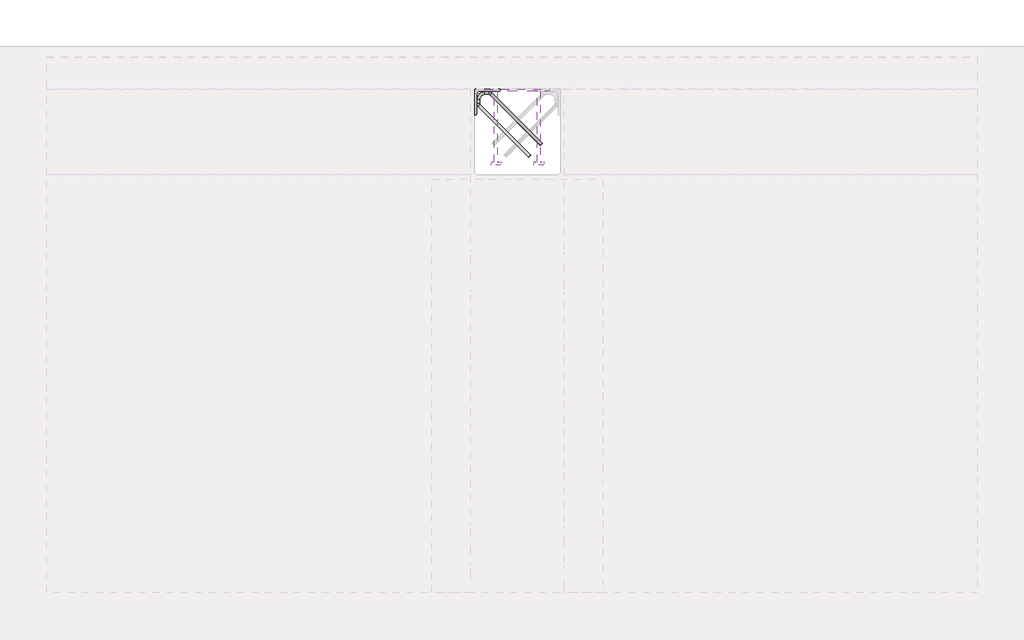
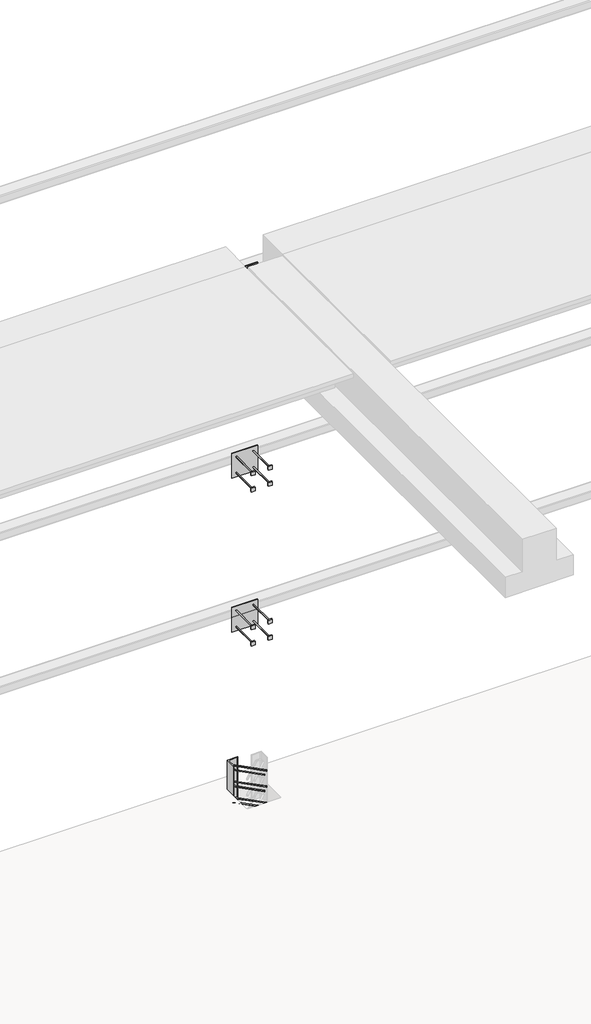
# One storey, part 43 of 65: 4 fasteners.
"""IFC4 building model written with IfcOpenShell, lengths in millimetres."""

from ifc_helpers import new_model, si_unit, point, frame, frame_2d, origin, place, context, project, spatial, polyline, circle_curve, ellipse_curve, trimmed, segment, composite_curve, outline, extrude, element, save
from ifc_brep_helpers import plane_surface, cylinder_surface, revolved_surface, advanced_brep

model = new_model("IFC4")

# Units and contexts
model_context = context("Model", 3, world=origin())
ifc_project = project(units=[si_unit("LENGTHUNIT", "METRE", prefix="MILLI")], contexts=[model_context])

# Site, building, storey
site = spatial("IfcSite", under=ifc_project)
building = spatial("IfcBuilding", under=site)
storey = spatial("IfcBuildingStorey", under=building, Elevation=0.0)

# Fasteners
placement = place(None, origin())
element("IfcFastener", 1, at=placement, inside=storey, context=model_context, shape_type="SolidModel", body=[
    advanced_brep(
    [(55052.5376259, 38682.5628791, 280.0), (55062.4371209, 38692.4623741, 280.0), (55117.4371209, 38747.4623741, 280.0), (55107.5376259, 38737.5628791, 280.0), (54847.0, 38976.0, 280.0), (54847.0, 38990.0, 280.0), (54865.7867966, 38990.0, 280.0), (54865.7867966, 38976.0, 280.0), (54824.0, 38953.0, 280.0), (54810.0, 38953.0, 280.0), (54824.0, 38934.2132034, 280.0), (54810.0, 38934.2132034, 280.0), (54816.4436508, 38918.6568542, 280.0), (54826.3431458, 38928.5563492, 280.0), (54871.4436508, 38973.6568542, 280.0), (54881.3431458, 38983.5563492, 280.0)],
    [
        (0, 1, circle_curve(frame((55057.4873734, 38687.5126266, 280.0), z_axis=(0.7071067811865482, -0.707106781186547, 0.0), x_axis=(0.707106781186547, 0.7071067811865482, 0.0)), 7.0)),
        (1, 0, circle_curve(frame((55057.4873734, 38687.5126266, 280.0), z_axis=(0.7071067811865482, -0.707106781186547, 0.0), x_axis=(0.707106781186547, 0.7071067811865482, 0.0)), 7.0)),
        (2, 3, circle_curve(frame((55112.4873734, 38742.5126266, 280.0), z_axis=(0.707106781186548, -0.707106781186547, 0.0), x_axis=(-0.707106781186547, -0.707106781186548, 0.0)), 7.0)),
        (3, 2, circle_curve(frame((55112.4873734, 38742.5126266, 280.0), z_axis=(0.707106781186548, -0.707106781186547, 0.0), x_axis=(-0.707106781186547, -0.707106781186548, 0.0)), 7.0)),
        (4, 5, circle_curve(frame((54847.0, 38983.0, 280.0), z_axis=(1.0, 0.0, 0.0), x_axis=(0.0, -1.0, 0.0)), 7.0)),
        (5, 6),
        (6, 7, circle_curve(frame((54865.7867966, 38983.0, 280.0), z_axis=(-1.0, 0.0, 0.0), x_axis=(0.0, -1.0, 0.0)), 7.0)),
        (7, 4),
        (5, 4, circle_curve(frame((54847.0, 38983.0, 280.0), z_axis=(1.0, 0.0, 0.0), x_axis=(0.0, -1.0, 0.0)), 7.0)),
        (7, 6, circle_curve(frame((54865.7867966, 38983.0, 280.0), z_axis=(-1.0, 0.0, 0.0), x_axis=(0.0, -1.0, 0.0)), 7.0)),
        (4, 8, circle_curve(frame((54847.0, 38953.0, 280.0), z_axis=(0.0, 0.0, 1.0), x_axis=(-1.0, 0.0, 0.0)), 23.0)),
        (8, 9, circle_curve(frame((54817.0, 38953.0, 280.0), z_axis=(0.0, 1.0, 0.0), x_axis=(1.0, 0.0, 0.0)), 7.0)),
        (9, 5, circle_curve(frame((54847.0, 38953.0, 280.0), z_axis=(0.0, 0.0, -1.0), x_axis=(-1.0, 0.0, 0.0)), 37.0)),
        (9, 8, circle_curve(frame((54817.0, 38953.0, 280.0), z_axis=(0.0, 1.0, 0.0), x_axis=(1.0, 0.0, 0.0)), 7.0)),
        (10, 11, circle_curve(frame((54817.0, 38934.2132034, 280.0), z_axis=(0.0, 1.0, 0.0), x_axis=(1.0, 0.0, 0.0)), 7.0)),
        (11, 9),
        (8, 10),
        (11, 10, circle_curve(frame((54817.0, 38934.2132034, 280.0), z_axis=(0.0, 1.0, 0.0), x_axis=(1.0, 0.0, 0.0)), 7.0)),
        (0, 12),
        (12, 13, circle_curve(frame((54821.3933983, 38923.6066017, 280.0), z_axis=(0.7071067811865482, -0.707106781186547, 0.0), x_axis=(0.707106781186547, 0.7071067811865482, 0.0)), 7.0)),
        (13, 1),
        (13, 12, circle_curve(frame((54821.3933983, 38923.6066017, 280.0), z_axis=(0.7071067811865482, -0.707106781186547, 0.0), x_axis=(0.707106781186547, 0.7071067811865482, 0.0)), 7.0)),
        (10, 13, circle_curve(frame((54832.0, 38934.2132034, 280.0), z_axis=(0.0, 0.0, 1.0), x_axis=(-0.7071067811865468, -0.7071067811865482, 0.0)), 8.0)),
        (12, 11, circle_curve(frame((54832.0, 38934.2132034, 280.0), z_axis=(0.0, 0.0, -1.0), x_axis=(-0.7071067811865468, -0.7071067811865482, 0.0)), 22.0)),
        (14, 7, circle_curve(frame((54865.7867966, 38968.0, 280.0), z_axis=(0.0, 0.0, 1.0), x_axis=(0.0, 1.0, 0.0)), 8.0)),
        (6, 15, circle_curve(frame((54865.7867966, 38968.0, 280.0), z_axis=(0.0, 0.0, -1.0), x_axis=(0.0, 1.0, 0.0)), 22.0)),
        (15, 14, circle_curve(frame((54876.3933983, 38978.6066017, 280.0), z_axis=(-0.7071067811865479, 0.7071067811865471, 0.0), x_axis=(-0.7071067811865471, -0.7071067811865479, 0.0)), 7.0)),
        (14, 15, circle_curve(frame((54876.3933983, 38978.6066017, 280.0), z_axis=(-0.7071067811865476, 0.7071067811865475, 0.0), x_axis=(-0.7071067811865475, -0.7071067811865476, 0.0)), 7.0)),
        (15, 2),
        (3, 14),
    ],
    [
        plane_surface(frame((55057.4873734, 38687.5126266, 280.0), z_axis=(0.7071067811865482, -0.707106781186547, 0.0), x_axis=(0.0, 0.0, -1.0))),
        plane_surface(frame((55112.4873734, 38742.5126266, 280.0), z_axis=(0.707106781186548, -0.707106781186547, 0.0), x_axis=(0.0, 0.0, -1.0))),
        cylinder_surface(frame((54847.0, 38983.0, 280.0), z_axis=(-1.0, 0.0, 0.0), x_axis=(0.0, -1.0, 0.0)), 7.0),
        revolved_surface(trimmed(ellipse_curve(frame((54817.0, 38953.0, 280.0), z_axis=(0.0, -1.0, 0.0), x_axis=(1.0, 0.0, 0.0)), 7.0, 7.0), [point((54810.0, 38953.0, 280.0))], [point((54824.0, 38953.0, 280.0))], True, "CARTESIAN"), (54847.0, 38953.0, 280.0), (0.0, 0.0, -1.0)),
        revolved_surface(trimmed(ellipse_curve(frame((54817.0, 38953.0, 280.0), z_axis=(0.0, -1.0, 0.0), x_axis=(1.0, 0.0, 0.0)), 7.0, 7.0), [point((54824.0, 38953.0, 280.0))], [point((54810.0, 38953.0, 280.0))], True, "CARTESIAN"), (54847.0, 38953.0, 280.0), (0.0, 0.0, -1.0)),
        cylinder_surface(frame((54817.0, 38934.2132034, 280.0), z_axis=(0.0, -1.0, 0.0), x_axis=(1.0, 0.0, 0.0)), 7.0),
        cylinder_surface(frame((55057.4873734, 38687.5126266, 280.0), z_axis=(0.7071067811865482, -0.707106781186547, 0.0), x_axis=(0.707106781186547, 0.7071067811865482, 0.0)), 7.0),
        revolved_surface(trimmed(ellipse_curve(frame((54821.3933983, 38923.6066017, 280.0), z_axis=(0.7071067811865482, -0.7071067811865468, 0.0), x_axis=(0.7071067811865468, 0.7071067811865482, 0.0)), 7.0, 7.0), [point((54816.4436508, 38918.6568542, 280.0))], [point((54826.3431458, 38928.5563492, 280.0))], True, "CARTESIAN"), (54832.0, 38934.2132034, 280.0), (0.0, 0.0, -1.0)),
        revolved_surface(trimmed(ellipse_curve(frame((54821.3933983, 38923.6066017, 280.0), z_axis=(0.7071067811865482, -0.7071067811865468, 0.0), x_axis=(0.7071067811865468, 0.7071067811865482, 0.0)), 7.0, 7.0), [point((54826.3431458, 38928.5563492, 280.0))], [point((54816.4436508, 38918.6568542, 280.0))], True, "CARTESIAN"), (54832.0, 38934.2132034, 280.0), (0.0, 0.0, -1.0)),
        revolved_surface(trimmed(ellipse_curve(frame((54865.7867966, 38983.0, 280.0), z_axis=(-1.0, 0.0, 0.0), x_axis=(0.0, -1.0, 0.0)), 7.0, 7.0), [point((54865.7867966, 38990.0, 280.0))], [point((54865.7867966, 38976.0, 280.0))], True, "CARTESIAN"), (54865.7867966, 38968.0, 280.0), (0.0, 0.0, -1.0)),
        revolved_surface(trimmed(ellipse_curve(frame((54865.7867966, 38983.0, 280.0), z_axis=(-1.0, 0.0, 0.0), x_axis=(0.0, -1.0, 0.0)), 7.0, 7.0), [point((54865.7867966, 38976.0, 280.0))], [point((54865.7867966, 38990.0, 280.0))], True, "CARTESIAN"), (54865.7867966, 38968.0, 280.0), (0.0, 0.0, -1.0)),
        cylinder_surface(frame((54876.3933983, 38978.6066017, 280.0), z_axis=(-0.707106781186548, 0.707106781186547, 0.0), x_axis=(-0.707106781186547, -0.707106781186548, 0.0)), 7.0),
    ],
    [
        (0, [[1, 2]]),
        (1, [[3, 4]]),
        (2, [[5, 6, 7, 8]]),
        (2, [[9, -8, 10, -6]]),
        (3, [[11, 12, 13, -5]]),
        (4, [[-13, 14, -11, -9]]),
        (5, [[15, 16, -12, 17]]),
        (5, [[18, -17, -14, -16]]),
        (6, [[-1, 19, 20, 21]]),
        (6, [[-2, -21, 22, -19]]),
        (7, [[23, -20, 24, -15]]),
        (8, [[-24, -22, -23, -18]]),
        (9, [[25, -7, 26, 27]]),
        (10, [[-26, -10, -25, 28]]),
        (11, [[-27, 29, -4, 30]]),
        (11, [[-28, -30, -3, -29]]),
    ],
),
    advanced_brep(
    [(55062.4371209, 38692.4623741, -120.0), (55052.5376259, 38682.5628791, -120.0), (55107.5376259, 38737.5628791, -120.0), (55117.4371209, 38747.4623741, -120.0), (54847.0, 38990.0, -120.0), (54847.0, 38976.0, -120.0), (54865.7867966, 38976.0, -120.0), (54865.7867966, 38990.0, -120.0), (54810.0, 38953.0, -120.0), (54824.0, 38953.0, -120.0), (54810.0, 38934.2132034, -120.0), (54824.0, 38934.2132034, -120.0), (54826.3431458, 38928.5563492, -120.0), (54816.4436508, 38918.6568542, -120.0), (54881.3431458, 38983.5563492, -120.0), (54871.4436508, 38973.6568542, -120.0)],
    [
        (0, 1, circle_curve(frame((55057.4873734, 38687.5126266, -120.0), z_axis=(0.7071067811865482, -0.707106781186547, 0.0), x_axis=(-0.707106781186547, -0.7071067811865482, 0.0)), 7.0)),
        (1, 0, circle_curve(frame((55057.4873734, 38687.5126266, -120.0), z_axis=(0.7071067811865482, -0.707106781186547, 0.0), x_axis=(-0.707106781186547, -0.7071067811865482, 0.0)), 7.0)),
        (2, 3, circle_curve(frame((55112.4873734, 38742.5126266, -120.0), z_axis=(0.7071067811865481, -0.707106781186547, 0.0), x_axis=(0.707106781186547, 0.7071067811865481, 0.0)), 7.0)),
        (3, 2, circle_curve(frame((55112.4873734, 38742.5126266, -120.0), z_axis=(0.7071067811865481, -0.707106781186547, 0.0), x_axis=(0.707106781186547, 0.7071067811865481, 0.0)), 7.0)),
        (4, 5, circle_curve(frame((54847.0, 38983.0, -120.0), z_axis=(1.0, 0.0, 0.0), x_axis=(0.0, 1.0, 0.0)), 7.0)),
        (5, 6),
        (6, 7, circle_curve(frame((54865.7867966, 38983.0, -120.0), z_axis=(-1.0, 0.0, 0.0), x_axis=(0.0, 1.0, 0.0)), 7.0)),
        (7, 4),
        (5, 4, circle_curve(frame((54847.0, 38983.0, -120.0), z_axis=(1.0, 0.0, 0.0), x_axis=(0.0, 1.0, 0.0)), 7.0)),
        (7, 6, circle_curve(frame((54865.7867966, 38983.0, -120.0), z_axis=(-1.0, 0.0, 0.0), x_axis=(0.0, 1.0, 0.0)), 7.0)),
        (4, 8, circle_curve(frame((54847.0, 38953.0, -120.0), z_axis=(0.0, 0.0, 1.0), x_axis=(-1.0, 0.0, 0.0)), 37.0)),
        (8, 9, circle_curve(frame((54817.0, 38953.0, -120.0), z_axis=(0.0, 1.0, 0.0), x_axis=(-1.0, 0.0, 0.0)), 7.0)),
        (9, 5, circle_curve(frame((54847.0, 38953.0, -120.0), z_axis=(0.0, 0.0, -1.0), x_axis=(-1.0, 0.0, 0.0)), 23.0)),
        (9, 8, circle_curve(frame((54817.0, 38953.0, -120.0), z_axis=(0.0, 1.0, 0.0), x_axis=(-1.0, 0.0, 0.0)), 7.0)),
        (10, 11, circle_curve(frame((54817.0, 38934.2132034, -120.0), z_axis=(0.0, 1.0, 0.0), x_axis=(-1.0, 0.0, 0.0)), 7.0)),
        (11, 9),
        (8, 10),
        (11, 10, circle_curve(frame((54817.0, 38934.2132034, -120.0), z_axis=(0.0, 1.0, 0.0), x_axis=(-1.0, 0.0, 0.0)), 7.0)),
        (0, 12),
        (12, 13, circle_curve(frame((54821.3933983, 38923.6066017, -120.0), z_axis=(0.7071067811865482, -0.707106781186547, 0.0), x_axis=(-0.707106781186547, -0.7071067811865482, 0.0)), 7.0)),
        (13, 1),
        (13, 12, circle_curve(frame((54821.3933983, 38923.6066017, -120.0), z_axis=(0.7071067811865482, -0.707106781186547, 0.0), x_axis=(-0.707106781186547, -0.7071067811865482, 0.0)), 7.0)),
        (10, 13, circle_curve(frame((54832.0, 38934.2132034, -120.0), z_axis=(0.0, 0.0, 1.0), x_axis=(-0.7071067811865468, -0.7071067811865482, 0.0)), 22.0)),
        (12, 11, circle_curve(frame((54832.0, 38934.2132034, -120.0), z_axis=(0.0, 0.0, -1.0), x_axis=(-0.7071067811865468, -0.7071067811865482, 0.0)), 8.0)),
        (14, 7, circle_curve(frame((54865.7867966, 38968.0, -120.0), z_axis=(0.0, 0.0, 1.0), x_axis=(0.0, 1.0, 0.0)), 22.0)),
        (6, 15, circle_curve(frame((54865.7867966, 38968.0, -120.0), z_axis=(0.0, 0.0, -1.0), x_axis=(0.0, 1.0, 0.0)), 8.0)),
        (15, 14, circle_curve(frame((54876.3933983, 38978.6066017, -120.0), z_axis=(-0.7071067811865464, 0.7071067811865487, 0.0), x_axis=(0.7071067811865487, 0.7071067811865464, 0.0)), 7.0)),
        (14, 15, circle_curve(frame((54876.3933983, 38978.6066017, -120.0), z_axis=(-0.7071067811865474, 0.7071067811865477, 0.0), x_axis=(0.7071067811865477, 0.7071067811865474, 0.0)), 7.0)),
        (15, 2),
        (3, 14),
    ],
    [
        plane_surface(frame((55057.4873734, 38687.5126266, -120.0), z_axis=(0.7071067811865482, -0.707106781186547, 0.0), x_axis=(0.0, 0.0, 1.0))),
        plane_surface(frame((55112.4873734, 38742.5126266, -120.0), z_axis=(0.7071067811865481, -0.707106781186547, 0.0), x_axis=(0.0, 0.0, 1.0))),
        cylinder_surface(frame((54847.0, 38983.0, -120.0), z_axis=(-1.0, 0.0, 0.0), x_axis=(0.0, 1.0, 0.0)), 7.0),
        revolved_surface(trimmed(ellipse_curve(frame((54817.0, 38953.0, -120.0), z_axis=(0.0, -1.0, 0.0), x_axis=(-1.0, 0.0, 0.0)), 7.0, 7.0), [point((54824.0, 38953.0, -120.0))], [point((54810.0, 38953.0, -120.0))], True, "CARTESIAN"), (54847.0, 38953.0, -120.0), (0.0, 0.0, -1.0)),
        revolved_surface(trimmed(ellipse_curve(frame((54817.0, 38953.0, -120.0), z_axis=(0.0, -1.0, 0.0), x_axis=(-1.0, 0.0, 0.0)), 7.0, 7.0), [point((54810.0, 38953.0, -120.0))], [point((54824.0, 38953.0, -120.0))], True, "CARTESIAN"), (54847.0, 38953.0, -120.0), (0.0, 0.0, -1.0)),
        cylinder_surface(frame((54817.0, 38934.2132034, -120.0), z_axis=(0.0, -1.0, 0.0), x_axis=(-1.0, 0.0, 0.0)), 7.0),
        cylinder_surface(frame((55057.4873734, 38687.5126266, -120.0), z_axis=(0.7071067811865482, -0.707106781186547, 0.0), x_axis=(-0.707106781186547, -0.7071067811865482, 0.0)), 7.0),
        revolved_surface(trimmed(ellipse_curve(frame((54821.3933983, 38923.6066017, -120.0), z_axis=(0.7071067811865482, -0.7071067811865468, 0.0), x_axis=(-0.7071067811865468, -0.7071067811865482, 0.0)), 7.0, 7.0), [point((54826.3431458, 38928.5563492, -120.0))], [point((54816.4436508, 38918.6568542, -120.0))], True, "CARTESIAN"), (54832.0, 38934.2132034, -120.0), (0.0, 0.0, -1.0)),
        revolved_surface(trimmed(ellipse_curve(frame((54821.3933983, 38923.6066017, -120.0), z_axis=(0.7071067811865482, -0.7071067811865468, 0.0), x_axis=(-0.7071067811865468, -0.7071067811865482, 0.0)), 7.0, 7.0), [point((54816.4436508, 38918.6568542, -120.0))], [point((54826.3431458, 38928.5563492, -120.0))], True, "CARTESIAN"), (54832.0, 38934.2132034, -120.0), (0.0, 0.0, -1.0)),
        revolved_surface(trimmed(ellipse_curve(frame((54865.7867966, 38983.0, -120.0), z_axis=(-1.0, 0.0, 0.0), x_axis=(0.0, 1.0, 0.0)), 7.0, 7.0), [point((54865.7867966, 38976.0, -120.0))], [point((54865.7867966, 38990.0, -120.0))], True, "CARTESIAN"), (54865.7867966, 38968.0, -120.0), (0.0, 0.0, -1.0)),
        revolved_surface(trimmed(ellipse_curve(frame((54865.7867966, 38983.0, -120.0), z_axis=(-1.0, 0.0, 0.0), x_axis=(0.0, 1.0, 0.0)), 7.0, 7.0), [point((54865.7867966, 38990.0, -120.0))], [point((54865.7867966, 38976.0, -120.0))], True, "CARTESIAN"), (54865.7867966, 38968.0, -120.0), (0.0, 0.0, -1.0)),
        cylinder_surface(frame((54876.3933983, 38978.6066017, -120.0), z_axis=(-0.7071067811865481, 0.707106781186547, 0.0), x_axis=(0.707106781186547, 0.7071067811865481, 0.0)), 7.0),
    ],
    [
        (0, [[1, 2]]),
        (1, [[3, 4]]),
        (2, [[5, 6, 7, 8]]),
        (2, [[9, -8, 10, -6]]),
        (3, [[11, 12, 13, -5]]),
        (4, [[-13, 14, -11, -9]]),
        (5, [[15, 16, -12, 17]]),
        (5, [[18, -17, -14, -16]]),
        (6, [[-1, 19, 20, 21]]),
        (6, [[-2, -21, 22, -19]]),
        (7, [[23, -20, 24, -15]]),
        (8, [[-24, -22, -23, -18]]),
        (9, [[25, -7, 26, 27]]),
        (10, [[-26, -10, -25, 28]]),
        (11, [[-27, 29, -4, 30]]),
        (11, [[-28, -30, -3, -29]]),
    ],
),
    advanced_brep(
    [(55062.4371209, 38692.4623741, 80.0), (55052.5376259, 38682.5628791, 80.0), (55107.5376259, 38737.5628791, 80.0), (55117.4371209, 38747.4623741, 80.0), (54847.0, 38990.0, 80.0), (54847.0, 38976.0, 80.0), (54865.7867966, 38976.0, 80.0), (54865.7867966, 38990.0, 80.0), (54810.0, 38953.0, 80.0), (54824.0, 38953.0, 80.0), (54810.0, 38934.2132034, 80.0), (54824.0, 38934.2132034, 80.0), (54826.3431458, 38928.5563492, 80.0), (54816.4436508, 38918.6568542, 80.0), (54881.3431458, 38983.5563492, 80.0), (54871.4436508, 38973.6568542, 80.0)],
    [
        (0, 1, circle_curve(frame((55057.4873734, 38687.5126266, 80.0), z_axis=(0.7071067811865481, -0.7071067811865469, 0.0), x_axis=(-0.7071067811865469, -0.7071067811865481, 0.0)), 7.0)),
        (1, 0, circle_curve(frame((55057.4873734, 38687.5126266, 80.0), z_axis=(0.7071067811865481, -0.7071067811865469, 0.0), x_axis=(-0.7071067811865469, -0.7071067811865481, 0.0)), 7.0)),
        (2, 3, circle_curve(frame((55112.4873734, 38742.5126266, 80.0), z_axis=(0.7071067811865481, -0.707106781186547, 0.0), x_axis=(0.707106781186547, 0.7071067811865481, 0.0)), 7.0)),
        (3, 2, circle_curve(frame((55112.4873734, 38742.5126266, 80.0), z_axis=(0.7071067811865481, -0.707106781186547, 0.0), x_axis=(0.707106781186547, 0.7071067811865481, 0.0)), 7.0)),
        (4, 5, circle_curve(frame((54847.0, 38983.0, 80.0), z_axis=(1.0, 0.0, 0.0), x_axis=(0.0, 1.0, 0.0)), 7.0)),
        (5, 6),
        (6, 7, circle_curve(frame((54865.7867966, 38983.0, 80.0), z_axis=(-1.0, 0.0, 0.0), x_axis=(0.0, 1.0, 0.0)), 7.0)),
        (7, 4),
        (5, 4, circle_curve(frame((54847.0, 38983.0, 80.0), z_axis=(1.0, 0.0, 0.0), x_axis=(0.0, 1.0, 0.0)), 7.0)),
        (7, 6, circle_curve(frame((54865.7867966, 38983.0, 80.0), z_axis=(-1.0, 0.0, 0.0), x_axis=(0.0, 1.0, 0.0)), 7.0)),
        (4, 8, circle_curve(frame((54847.0, 38953.0, 80.0), z_axis=(0.0, 0.0, 1.0), x_axis=(-1.0, 0.0, 0.0)), 37.0)),
        (8, 9, circle_curve(frame((54817.0, 38953.0, 80.0), z_axis=(0.0, 1.0, 0.0), x_axis=(-1.0, 0.0, 0.0)), 7.0)),
        (9, 5, circle_curve(frame((54847.0, 38953.0, 80.0), z_axis=(0.0, 0.0, -1.0), x_axis=(-1.0, 0.0, 0.0)), 23.0)),
        (9, 8, circle_curve(frame((54817.0, 38953.0, 80.0), z_axis=(0.0, 1.0, 0.0), x_axis=(-1.0, 0.0, 0.0)), 7.0)),
        (10, 11, circle_curve(frame((54817.0, 38934.2132034, 80.0), z_axis=(0.0, 1.0, 0.0), x_axis=(-1.0, 0.0, 0.0)), 7.0)),
        (11, 9),
        (8, 10),
        (11, 10, circle_curve(frame((54817.0, 38934.2132034, 80.0), z_axis=(0.0, 1.0, 0.0), x_axis=(-1.0, 0.0, 0.0)), 7.0)),
        (0, 12),
        (12, 13, circle_curve(frame((54821.3933983, 38923.6066017, 80.0), z_axis=(0.7071067811865481, -0.7071067811865469, 0.0), x_axis=(-0.7071067811865469, -0.7071067811865481, 0.0)), 7.0)),
        (13, 1),
        (13, 12, circle_curve(frame((54821.3933983, 38923.6066017, 80.0), z_axis=(0.7071067811865481, -0.7071067811865469, 0.0), x_axis=(-0.7071067811865469, -0.7071067811865481, 0.0)), 7.0)),
        (10, 13, circle_curve(frame((54832.0, 38934.2132034, 80.0), z_axis=(0.0, 0.0, 1.0), x_axis=(-0.7071067811865468, -0.7071067811865482, 0.0)), 22.0)),
        (12, 11, circle_curve(frame((54832.0, 38934.2132034, 80.0), z_axis=(0.0, 0.0, -1.0), x_axis=(-0.7071067811865468, -0.7071067811865482, 0.0)), 8.0)),
        (14, 7, circle_curve(frame((54865.7867966, 38968.0, 80.0), z_axis=(0.0, 0.0, 1.0), x_axis=(0.0, 1.0, 0.0)), 22.0)),
        (6, 15, circle_curve(frame((54865.7867966, 38968.0, 80.0), z_axis=(0.0, 0.0, -1.0), x_axis=(0.0, 1.0, 0.0)), 8.0)),
        (15, 14, circle_curve(frame((54876.3933983, 38978.6066017, 80.0), z_axis=(-0.707106781186548, 0.707106781186547, 0.0), x_axis=(0.707106781186547, 0.707106781186548, 0.0)), 7.0)),
        (14, 15, circle_curve(frame((54876.3933983, 38978.6066017, 80.0), z_axis=(-0.7071067811865479, 0.7071067811865471, 0.0), x_axis=(0.7071067811865471, 0.7071067811865479, 0.0)), 7.0)),
        (15, 2),
        (3, 14),
    ],
    [
        plane_surface(frame((55057.4873734, 38687.5126266, 80.0), z_axis=(0.7071067811865481, -0.7071067811865469, 0.0), x_axis=(0.0, 0.0, 1.0))),
        plane_surface(frame((55112.4873734, 38742.5126266, 80.0), z_axis=(0.707106781186548, -0.7071067811865471, 0.0), x_axis=(0.0, 0.0, 1.0))),
        cylinder_surface(frame((54847.0, 38983.0, 80.0), z_axis=(-1.0, 0.0, 0.0), x_axis=(0.0, 1.0, 0.0)), 7.0),
        revolved_surface(trimmed(ellipse_curve(frame((54817.0, 38953.0, 80.0), z_axis=(0.0, -1.0, 0.0), x_axis=(-1.0, 0.0, 0.0)), 7.0, 7.0), [point((54824.0, 38953.0, 80.0))], [point((54810.0, 38953.0, 80.0))], True, "CARTESIAN"), (54847.0, 38953.0, 80.0), (0.0, 0.0, -1.0)),
        revolved_surface(trimmed(ellipse_curve(frame((54817.0, 38953.0, 80.0), z_axis=(0.0, -1.0, 0.0), x_axis=(-1.0, 0.0, 0.0)), 7.0, 7.0), [point((54810.0, 38953.0, 80.0))], [point((54824.0, 38953.0, 80.0))], True, "CARTESIAN"), (54847.0, 38953.0, 80.0), (0.0, 0.0, -1.0)),
        cylinder_surface(frame((54817.0, 38934.2132034, 80.0), z_axis=(0.0, -1.0, 0.0), x_axis=(-1.0, 0.0, 0.0)), 7.0),
        cylinder_surface(frame((55057.4873734, 38687.5126266, 80.0), z_axis=(0.7071067811865481, -0.7071067811865469, 0.0), x_axis=(-0.7071067811865469, -0.7071067811865481, 0.0)), 7.0),
        revolved_surface(trimmed(ellipse_curve(frame((54821.3933983, 38923.6066017, 80.0), z_axis=(0.7071067811865483, -0.7071067811865467, 0.0), x_axis=(-0.7071067811865467, -0.7071067811865483, 0.0)), 7.0, 7.0), [point((54826.3431458, 38928.5563492, 80.0))], [point((54816.4436508, 38918.6568542, 80.0))], True, "CARTESIAN"), (54832.0, 38934.2132034, 80.0), (0.0, 0.0, -1.0)),
        revolved_surface(trimmed(ellipse_curve(frame((54821.3933983, 38923.6066017, 80.0), z_axis=(0.7071067811865483, -0.7071067811865467, 0.0), x_axis=(-0.7071067811865467, -0.7071067811865483, 0.0)), 7.0, 7.0), [point((54816.4436508, 38918.6568542, 80.0))], [point((54826.3431458, 38928.5563492, 80.0))], True, "CARTESIAN"), (54832.0, 38934.2132034, 80.0), (0.0, 0.0, -1.0)),
        revolved_surface(trimmed(ellipse_curve(frame((54865.7867966, 38983.0, 80.0), z_axis=(-1.0, 0.0, 0.0), x_axis=(0.0, 1.0, 0.0)), 7.0, 7.0), [point((54865.7867966, 38976.0, 80.0))], [point((54865.7867966, 38990.0, 80.0))], True, "CARTESIAN"), (54865.7867966, 38968.0, 80.0), (0.0, 0.0, -1.0)),
        revolved_surface(trimmed(ellipse_curve(frame((54865.7867966, 38983.0, 80.0), z_axis=(-1.0, 0.0, 0.0), x_axis=(0.0, 1.0, 0.0)), 7.0, 7.0), [point((54865.7867966, 38990.0, 80.0))], [point((54865.7867966, 38976.0, 80.0))], True, "CARTESIAN"), (54865.7867966, 38968.0, 80.0), (0.0, 0.0, -1.0)),
        cylinder_surface(frame((54876.3933983, 38978.6066017, 80.0), z_axis=(-0.7071067811865481, 0.707106781186547, 0.0), x_axis=(0.707106781186547, 0.7071067811865481, 0.0)), 7.0),
    ],
    [
        (0, [[1, 2]]),
        (1, [[3, 4]]),
        (2, [[5, 6, 7, 8]]),
        (2, [[9, -8, 10, -6]]),
        (3, [[11, 12, 13, -5]]),
        (4, [[-13, 14, -11, -9]]),
        (5, [[15, 16, -12, 17]]),
        (5, [[18, -17, -14, -16]]),
        (6, [[-1, 19, 20, 21]]),
        (6, [[-2, -21, 22, -19]]),
        (7, [[23, -20, 24, -15]]),
        (8, [[-24, -22, -23, -18]]),
        (9, [[25, -7, 26, 27]]),
        (10, [[-26, -10, -25, 28]]),
        (11, [[-27, 29, -4, 30]]),
        (11, [[-28, -30, -3, -29]]),
    ],
),
    extrude(outline(composite_curve([segment(polyline([(54800.0, 39000.0), (54920.0, 39000.0), (54920.0, 38996.5)]), True, "CONTINUOUS"), segment(trimmed(circle_curve(frame_2d((54913.5, 38996.5)), 6.5), [point((54920.0, 38996.5))], [point((54913.5, 38990.0))], False, "CARTESIAN"), True, "CONTINUOUS"), segment(polyline([(54913.5, 38990.0), (54823.0, 38990.0)]), True, "CONTINUOUS"), segment(trimmed(circle_curve(frame_2d((54823.0, 38977.0)), 13.0), [point((54823.0, 38990.0))], [point((54810.0, 38977.0))], True, "CARTESIAN"), True, "CONTINUOUS"), segment(polyline([(54810.0, 38977.0), (54810.0, 38886.5)]), True, "CONTINUOUS"), segment(trimmed(circle_curve(frame_2d((54803.5, 38886.5)), 6.5), [point((54810.0, 38886.5))], [point((54803.5, 38880.0))], False, "CARTESIAN"), True, "CONTINUOUS"), segment(polyline([(54803.5, 38880.0), (54800.0, 38880.0), (54800.0, 39000.0)]), True, "CONTINUOUS")], self_intersect=False)), frame((0.0, 0.0, -200.0), z_axis=(0.0, 0.0, 1.0), x_axis=(1.0, 0.0, 0.0)), (0.0, 0.0, 1.0), 560.0),
])
element("IfcFastener", 2, ObjectType="ZC : ZC 1", at=placement, inside=storey, context=model_context, shape_type="SweptSolid", body=[
    extrude(outline(polyline([(54877.5, 38660.0), (54922.5, 38660.0), (54922.5, 38644.0), (54877.5, 38644.0), (54877.5, 38660.0)])), frame((0.0, 0.0, 3867.5), z_axis=(0.0, 0.0, 1.0), x_axis=(1.0, 0.0, 0.0)), (0.0, 0.0, 1.0), 45.0),
    extrude(outline(composite_curve([segment(trimmed(circle_curve(frame_2d((3890.0, 54900.0)), 7.0), [point((3890.0, 54893.0))], [point((3890.0, 54907.0))], False, "CARTESIAN"), True, "CONTINUOUS"), segment(trimmed(circle_curve(frame_2d((3890.0, 54900.0)), 7.0), [point((3890.0, 54907.0))], [point((3890.0, 54893.0))], False, "CARTESIAN"), True, "CONTINUOUS")], self_intersect=False)), frame((0.0, 38660.0, 0.0), z_axis=(0.0, 1.0, 0.0), x_axis=(0.0, 0.0, 1.0)), (0.0, 0.0, 1.0), 330.0),
    extrude(outline(polyline([(55077.5, 38660.0), (55122.5, 38660.0), (55122.5, 38644.0), (55077.5, 38644.0), (55077.5, 38660.0)])), frame((0.0, 0.0, 3867.5), z_axis=(0.0, 0.0, 1.0), x_axis=(1.0, 0.0, 0.0)), (0.0, 0.0, 1.0), 45.0),
    extrude(outline(composite_curve([segment(trimmed(circle_curve(frame_2d((3890.0, 55100.0)), 7.0), [point((3890.0, 55093.0))], [point((3890.0, 55107.0))], False, "CARTESIAN"), True, "CONTINUOUS"), segment(trimmed(circle_curve(frame_2d((3890.0, 55100.0)), 7.0), [point((3890.0, 55107.0))], [point((3890.0, 55093.0))], False, "CARTESIAN"), True, "CONTINUOUS")], self_intersect=False)), frame((0.0, 38660.0, 0.0), z_axis=(0.0, 1.0, 0.0), x_axis=(0.0, 0.0, 1.0)), (0.0, 0.0, 1.0), 330.0),
    extrude(outline(polyline([(54877.5, 38660.0), (54922.5, 38660.0), (54922.5, 38644.0), (54877.5, 38644.0), (54877.5, 38660.0)])), frame((0.0, 0.0, 4067.5), z_axis=(0.0, 0.0, 1.0), x_axis=(1.0, 0.0, 0.0)), (0.0, 0.0, 1.0), 45.0),
    extrude(outline(composite_curve([segment(trimmed(circle_curve(frame_2d((4090.0, 54900.0)), 7.0), [point((4090.0, 54893.0))], [point((4090.0, 54907.0))], False, "CARTESIAN"), True, "CONTINUOUS"), segment(trimmed(circle_curve(frame_2d((4090.0, 54900.0)), 7.0), [point((4090.0, 54907.0))], [point((4090.0, 54893.0))], False, "CARTESIAN"), True, "CONTINUOUS")], self_intersect=False)), frame((0.0, 38660.0, 0.0), z_axis=(0.0, 1.0, 0.0), x_axis=(0.0, 0.0, 1.0)), (0.0, 0.0, 1.0), 330.0),
    extrude(outline(polyline([(55077.5, 38660.0), (55122.5, 38660.0), (55122.5, 38644.0), (55077.5, 38644.0), (55077.5, 38660.0)])), frame((0.0, 0.0, 4067.5), z_axis=(0.0, 0.0, 1.0), x_axis=(1.0, 0.0, 0.0)), (0.0, 0.0, 1.0), 45.0),
    extrude(outline(composite_curve([segment(trimmed(circle_curve(frame_2d((4090.0, 55100.0)), 7.0), [point((4090.0, 55093.0))], [point((4090.0, 55107.0))], False, "CARTESIAN"), True, "CONTINUOUS"), segment(trimmed(circle_curve(frame_2d((4090.0, 55100.0)), 7.0), [point((4090.0, 55107.0))], [point((4090.0, 55093.0))], False, "CARTESIAN"), True, "CONTINUOUS")], self_intersect=False)), frame((0.0, 38660.0, 0.0), z_axis=(0.0, 1.0, 0.0), x_axis=(0.0, 0.0, 1.0)), (0.0, 0.0, 1.0), 330.0),
    extrude(outline(polyline([(54850.0, 39000.0), (55150.0, 39000.0), (55150.0, 38990.0), (54850.0, 38990.0), (54850.0, 39000.0)])), frame((0.0, 0.0, 3840.0), z_axis=(0.0, 0.0, 1.0), x_axis=(1.0, 0.0, 0.0)), (0.0, 0.0, 1.0), 300.0),
])
element("IfcFastener", 3, ObjectType="ZC : ZC 1", at=placement, inside=storey, context=model_context, shape_type="SweptSolid", body=[
    extrude(outline(polyline([(54877.5, 38660.0), (54922.5, 38660.0), (54922.5, 38644.0), (54877.5, 38644.0), (54877.5, 38660.0)])), frame((0.0, 0.0, 1962.5), z_axis=(0.0, 0.0, 1.0), x_axis=(1.0, 0.0, 0.0)), (0.0, 0.0, 1.0), 45.0),
    extrude(outline(composite_curve([segment(trimmed(circle_curve(frame_2d((1985.0, 54900.0)), 7.0), [point((1985.0, 54893.0))], [point((1985.0, 54907.0))], False, "CARTESIAN"), True, "CONTINUOUS"), segment(trimmed(circle_curve(frame_2d((1985.0, 54900.0)), 7.0), [point((1985.0, 54907.0))], [point((1985.0, 54893.0))], False, "CARTESIAN"), True, "CONTINUOUS")], self_intersect=False)), frame((0.0, 38660.0, 0.0), z_axis=(0.0, 1.0, 0.0), x_axis=(0.0, 0.0, 1.0)), (0.0, 0.0, 1.0), 330.0),
    extrude(outline(polyline([(55077.5, 38660.0), (55122.5, 38660.0), (55122.5, 38644.0), (55077.5, 38644.0), (55077.5, 38660.0)])), frame((0.0, 0.0, 1962.5), z_axis=(0.0, 0.0, 1.0), x_axis=(1.0, 0.0, 0.0)), (0.0, 0.0, 1.0), 45.0),
    extrude(outline(composite_curve([segment(trimmed(circle_curve(frame_2d((1985.0, 55100.0)), 7.0), [point((1985.0, 55093.0))], [point((1985.0, 55107.0))], False, "CARTESIAN"), True, "CONTINUOUS"), segment(trimmed(circle_curve(frame_2d((1985.0, 55100.0)), 7.0), [point((1985.0, 55107.0))], [point((1985.0, 55093.0))], False, "CARTESIAN"), True, "CONTINUOUS")], self_intersect=False)), frame((0.0, 38660.0, 0.0), z_axis=(0.0, 1.0, 0.0), x_axis=(0.0, 0.0, 1.0)), (0.0, 0.0, 1.0), 330.0),
    extrude(outline(polyline([(54877.5, 38660.0), (54922.5, 38660.0), (54922.5, 38644.0), (54877.5, 38644.0), (54877.5, 38660.0)])), frame((0.0, 0.0, 2162.5), z_axis=(0.0, 0.0, 1.0), x_axis=(1.0, 0.0, 0.0)), (0.0, 0.0, 1.0), 45.0),
    extrude(outline(composite_curve([segment(trimmed(circle_curve(frame_2d((2185.0, 54900.0)), 7.0), [point((2185.0, 54893.0))], [point((2185.0, 54907.0))], False, "CARTESIAN"), True, "CONTINUOUS"), segment(trimmed(circle_curve(frame_2d((2185.0, 54900.0)), 7.0), [point((2185.0, 54907.0))], [point((2185.0, 54893.0))], False, "CARTESIAN"), True, "CONTINUOUS")], self_intersect=False)), frame((0.0, 38660.0, 0.0), z_axis=(0.0, 1.0, 0.0), x_axis=(0.0, 0.0, 1.0)), (0.0, 0.0, 1.0), 330.0),
    extrude(outline(polyline([(55077.5, 38660.0), (55122.5, 38660.0), (55122.5, 38644.0), (55077.5, 38644.0), (55077.5, 38660.0)])), frame((0.0, 0.0, 2162.5), z_axis=(0.0, 0.0, 1.0), x_axis=(1.0, 0.0, 0.0)), (0.0, 0.0, 1.0), 45.0),
    extrude(outline(composite_curve([segment(trimmed(circle_curve(frame_2d((2185.0, 55100.0)), 7.0), [point((2185.0, 55093.0))], [point((2185.0, 55107.0))], False, "CARTESIAN"), True, "CONTINUOUS"), segment(trimmed(circle_curve(frame_2d((2185.0, 55100.0)), 7.0), [point((2185.0, 55107.0))], [point((2185.0, 55093.0))], False, "CARTESIAN"), True, "CONTINUOUS")], self_intersect=False)), frame((0.0, 38660.0, 0.0), z_axis=(0.0, 1.0, 0.0), x_axis=(0.0, 0.0, 1.0)), (0.0, 0.0, 1.0), 330.0),
    extrude(outline(polyline([(54850.0, 39000.0), (55150.0, 39000.0), (55150.0, 38990.0), (54850.0, 38990.0), (54850.0, 39000.0)])), frame((0.0, 0.0, 1935.0), z_axis=(0.0, 0.0, 1.0), x_axis=(1.0, 0.0, 0.0)), (0.0, 0.0, 1.0), 300.0),
])
element("IfcFastener", 4, ObjectType="ZC : ZC 1", at=placement, inside=storey, context=model_context, shape_type="SweptSolid", body=[
    extrude(outline(polyline([(54877.5, 38660.0), (54922.5, 38660.0), (54922.5, 38644.0), (54877.5, 38644.0), (54877.5, 38660.0)])), frame((0.0, 0.0, 6137.5), z_axis=(0.0, 0.0, 1.0), x_axis=(1.0, 0.0, 0.0)), (0.0, 0.0, 1.0), 45.0),
    extrude(outline(composite_curve([segment(trimmed(circle_curve(frame_2d((6160.0, 54900.0)), 7.0), [point((6160.0, 54893.0))], [point((6160.0, 54907.0))], False, "CARTESIAN"), True, "CONTINUOUS"), segment(trimmed(circle_curve(frame_2d((6160.0, 54900.0)), 7.0), [point((6160.0, 54907.0))], [point((6160.0, 54893.0))], False, "CARTESIAN"), True, "CONTINUOUS")], self_intersect=False)), frame((0.0, 38660.0, 0.0), z_axis=(0.0, 1.0, 0.0), x_axis=(0.0, 0.0, 1.0)), (0.0, 0.0, 1.0), 330.0),
    extrude(outline(polyline([(55077.5, 38660.0), (55122.5, 38660.0), (55122.5, 38644.0), (55077.5, 38644.0), (55077.5, 38660.0)])), frame((0.0, 0.0, 6137.5), z_axis=(0.0, 0.0, 1.0), x_axis=(1.0, 0.0, 0.0)), (0.0, 0.0, 1.0), 45.0),
    extrude(outline(composite_curve([segment(trimmed(circle_curve(frame_2d((6160.0, 55100.0)), 7.0), [point((6160.0, 55093.0))], [point((6160.0, 55107.0))], False, "CARTESIAN"), True, "CONTINUOUS"), segment(trimmed(circle_curve(frame_2d((6160.0, 55100.0)), 7.0), [point((6160.0, 55107.0))], [point((6160.0, 55093.0))], False, "CARTESIAN"), True, "CONTINUOUS")], self_intersect=False)), frame((0.0, 38660.0, 0.0), z_axis=(0.0, 1.0, 0.0), x_axis=(0.0, 0.0, 1.0)), (0.0, 0.0, 1.0), 330.0),
    extrude(outline(polyline([(54877.5, 38660.0), (54922.5, 38660.0), (54922.5, 38644.0), (54877.5, 38644.0), (54877.5, 38660.0)])), frame((0.0, 0.0, 6337.5), z_axis=(0.0, 0.0, 1.0), x_axis=(1.0, 0.0, 0.0)), (0.0, 0.0, 1.0), 45.0),
    extrude(outline(composite_curve([segment(trimmed(circle_curve(frame_2d((6360.0, 54900.0)), 7.0), [point((6360.0, 54893.0))], [point((6360.0, 54907.0))], False, "CARTESIAN"), True, "CONTINUOUS"), segment(trimmed(circle_curve(frame_2d((6360.0, 54900.0)), 7.0), [point((6360.0, 54907.0))], [point((6360.0, 54893.0))], False, "CARTESIAN"), True, "CONTINUOUS")], self_intersect=False)), frame((0.0, 38660.0, 0.0), z_axis=(0.0, 1.0, 0.0), x_axis=(0.0, 0.0, 1.0)), (0.0, 0.0, 1.0), 330.0),
    extrude(outline(polyline([(55077.5, 38660.0), (55122.5, 38660.0), (55122.5, 38644.0), (55077.5, 38644.0), (55077.5, 38660.0)])), frame((0.0, 0.0, 6337.5), z_axis=(0.0, 0.0, 1.0), x_axis=(1.0, 0.0, 0.0)), (0.0, 0.0, 1.0), 45.0),
    extrude(outline(composite_curve([segment(trimmed(circle_curve(frame_2d((6360.0, 55100.0)), 7.0), [point((6360.0, 55093.0))], [point((6360.0, 55107.0))], False, "CARTESIAN"), True, "CONTINUOUS"), segment(trimmed(circle_curve(frame_2d((6360.0, 55100.0)), 7.0), [point((6360.0, 55107.0))], [point((6360.0, 55093.0))], False, "CARTESIAN"), True, "CONTINUOUS")], self_intersect=False)), frame((0.0, 38660.0, 0.0), z_axis=(0.0, 1.0, 0.0), x_axis=(0.0, 0.0, 1.0)), (0.0, 0.0, 1.0), 330.0),
    extrude(outline(polyline([(54850.0, 39000.0), (55150.0, 39000.0), (55150.0, 38990.0), (54850.0, 38990.0), (54850.0, 39000.0)])), frame((0.0, 0.0, 6110.0), z_axis=(0.0, 0.0, 1.0), x_axis=(1.0, 0.0, 0.0)), (0.0, 0.0, 1.0), 300.0),
])

save(model, "model.ifc")
